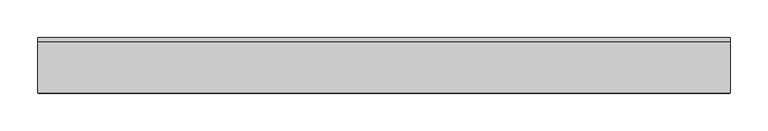
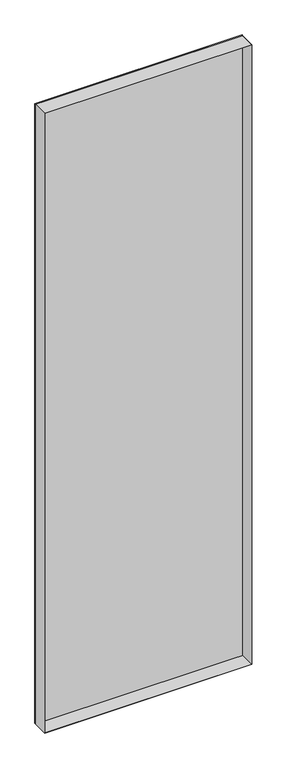
"""IFC4 building model written with IfcOpenShell, lengths in millimetres: plate geometry."""

from ifc_helpers import new_model, si_unit, frame, origin, origin_with_axes, place, context, project, spatial, polyline, outline, extrude, source, transform, mapped, element, save


def plate_5a28ad57(model_context):
    return source(origin(), model_context, "Body", "SweptSolid", [
        extrude(outline(polyline([(2915.0, -460.9186914), (0.0, -460.9186914), (0.0, 460.9186914), (2915.0, 460.9186914), (2915.0, -460.9186914)]), holes=[polyline([(2914.0, -459.9186914), (2914.0, 459.9186914), (1.0, 459.9186914), (1.0, -459.9186914), (2914.0, -459.9186914)])]), frame((0.0, -37.2, 0.0), z_axis=(0.0, 1.0, 0.0), x_axis=(0.0, 0.0, 1.0)), (0.0, 0.0, 1.0), 68.4),
        extrude(outline(polyline([(460.9186914, 31.2), (-460.9186914, 31.2), (-460.9186914, 37.2), (460.9186914, 37.2), (460.9186914, 31.2)])), origin_with_axes(), (0.0, 0.0, 1.0), 2915.0),
    ])


if __name__ == "__main__":
    model = new_model("IFC4")
    model_context = context("Model", 3, world=origin())
    ifc_project = project(units=[si_unit("LENGTHUNIT", "METRE", prefix="MILLI")], contexts=[model_context])
    site = spatial("IfcSite", under=ifc_project)
    building = spatial("IfcBuilding", under=site)
    placement = place(None, origin())
    plate_shape = plate_5a28ad57(model_context)
    element("IfcPlate", 1, at=placement, inside=building, context=model_context, shape_type="MappedRepresentation", body=[
        mapped(plate_shape, transform((0.0, 0.0, 0.0), x_axis=(1.0, 0.0, 0.0), y_axis=(0.0, 1.0, 0.0), z_axis=(0.0, 0.0, 1.0))),
    ])
    save(model, "model.ifc")
